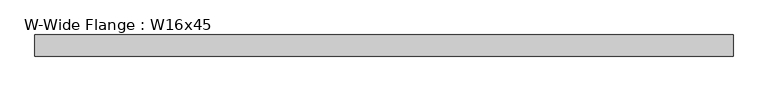
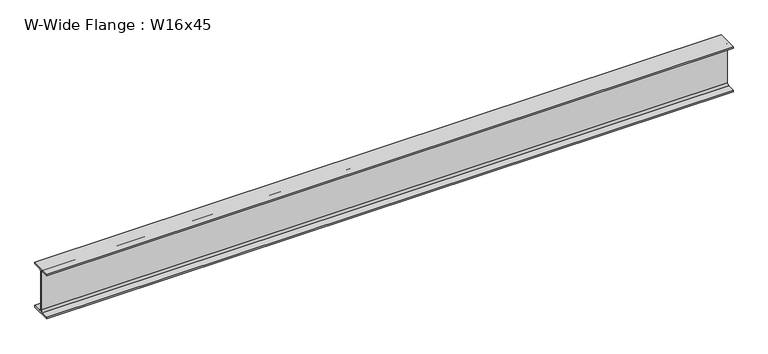
"""IFC4 building model written with IfcOpenShell, lengths in millimetres: beam geometry, W-Wide Flange : W16x45."""

from ifc_helpers import new_model, si_unit, point, frame, frame_2d, origin, place, context, project, spatial, polyline, circle_curve, trimmed, segment, composite_curve, outline, extrude, source, transform, mapped, element, save


def w_wide_flange_w16x45_d0a500a6(model_context):
    return source(origin(), model_context, "Body", "SweptSolid", [
        extrude(outline(composite_curve([segment(polyline([(89.408, -190.119), (89.408, -204.47), (-89.408, -204.47), (-89.408, -190.119), (-21.7805, -190.119)]), True, "CONTINUOUS"), segment(trimmed(circle_curve(frame_2d((-21.7805, -172.72)), 17.399), [point((-21.7805, -190.119))], [point((-4.3815, -172.72))], True, "CARTESIAN"), True, "CONTINUOUS"), segment(polyline([(-4.3815, -172.72), (-4.3815, 172.72)]), True, "CONTINUOUS"), segment(trimmed(circle_curve(frame_2d((-21.7805, 172.72)), 17.399), [point((-4.3815, 172.72))], [point((-21.7805, 190.119))], True, "CARTESIAN"), True, "CONTINUOUS"), segment(polyline([(-21.7805, 190.119), (-89.408, 190.119), (-89.408, 204.47), (89.408, 204.47), (89.408, 190.119), (21.7805, 190.119)]), True, "CONTINUOUS"), segment(trimmed(circle_curve(frame_2d((21.7805, 172.72)), 17.399), [point((21.7805, 190.119))], [point((4.3815, 172.72))], True, "CARTESIAN"), True, "CONTINUOUS"), segment(polyline([(4.3815, 172.72), (4.3815, -172.72)]), True, "CONTINUOUS"), segment(trimmed(circle_curve(frame_2d((21.7805, -172.72)), 17.399), [point((4.3815, -172.72))], [point((21.7805, -190.119))], True, "CARTESIAN"), True, "CONTINUOUS"), segment(polyline([(21.7805, -190.119), (89.408, -190.119)]), True, "CONTINUOUS")], self_intersect=False)), frame((-2933.7, 0.0, 0.0), z_axis=(1.0, 0.0, 0.0), x_axis=(0.0, 1.0, 0.0)), (0.0, 0.0, 1.0), 5918.2),
    ])


if __name__ == "__main__":
    model = new_model("IFC4")
    model_context = context("Model", 3, world=origin())
    ifc_project = project(units=[si_unit("LENGTHUNIT", "METRE", prefix="MILLI")], contexts=[model_context])
    site = spatial("IfcSite", under=ifc_project)
    building = spatial("IfcBuilding", under=site)
    placement = place(None, origin())
    w_wide_flange_w16x45_shape = w_wide_flange_w16x45_d0a500a6(model_context)
    element("IfcBeam", 1, ObjectType="W-Wide Flange : W16x45", at=placement, inside=building, context=model_context, shape_type="MappedRepresentation", body=[
        mapped(w_wide_flange_w16x45_shape, transform((0.0, 0.0, 0.0), x_axis=(1.0, 0.0, 0.0), y_axis=(0.0, 1.0, 0.0), z_axis=(0.0, 0.0, 1.0))),
    ])
    save(model, "model.ifc")
